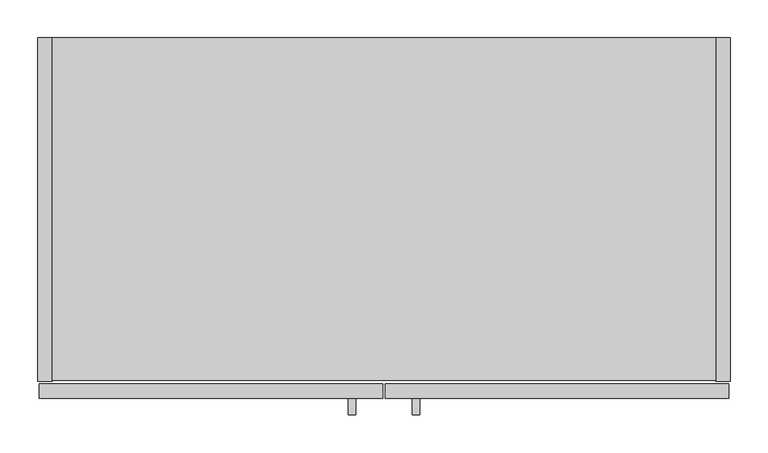
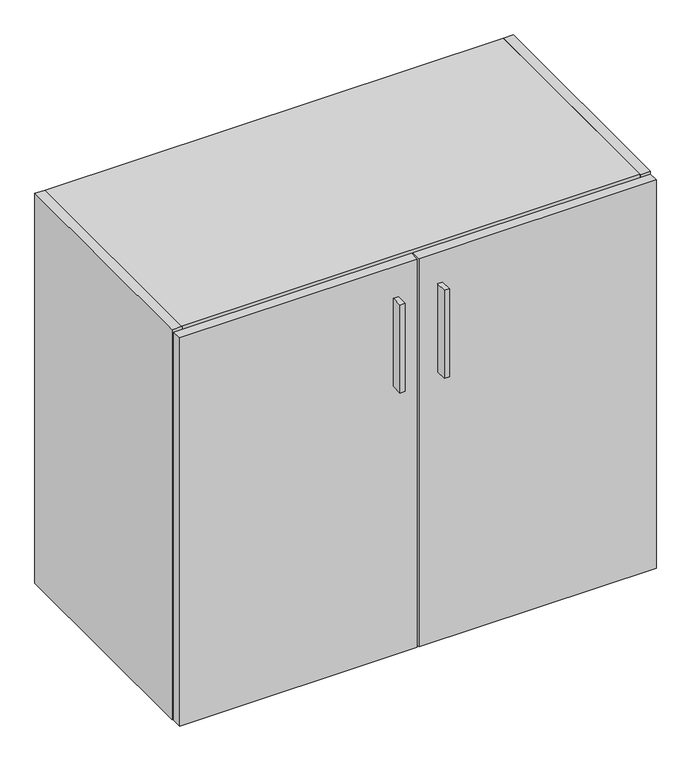
"""IFC4 building model written with IfcOpenShell, lengths in millimetres: furniture geometry."""

from ifc_helpers import new_model, si_unit, frame, origin, place, context, project, spatial, polyline, outline, extrude, source, transform, mapped, element, save


def furniture_d4985aca(model_context):
    return source(origin(), model_context, "Body", "SweptSolid", [
        extrude(outline(polyline([(419.7338631, -498.729), (410.2088631, -498.729), (410.2088631, -476.504), (419.7338631, -476.504), (419.7338631, -498.729)])), frame((0.0, 0.0, 644.525), z_axis=(0.0, 0.0, 1.0), x_axis=(1.0, 0.0, 0.0)), (0.0, 0.0, 1.0), 177.8),
        extrude(outline(polyline([(504.1888631, -498.729), (494.6638631, -498.729), (494.6638631, -476.504), (504.1888631, -476.504), (504.1888631, -498.729)])), frame((0.0, 0.0, 644.525), z_axis=(0.0, 0.0, 1.0), x_axis=(1.0, 0.0, 0.0)), (0.0, 0.0, 1.0), 177.8),
        extrude(outline(polyline([(895.096, 0.0), (895.096, -19.304), (19.304, -19.304), (19.304, 0.0), (895.096, 0.0)])), frame((0.0, 0.0, 120.904), z_axis=(0.0, 0.0, 1.0), x_axis=(1.0, 0.0, 0.0)), (0.0, 0.0, 1.0), 748.792),
        extrude(outline(polyline([(895.096, -453.0344), (19.304, -453.0344), (19.304, 0.0), (895.096, 0.0), (895.096, -453.0344)])), frame((0.0, 0.0, 869.696), z_axis=(0.0, 0.0, 1.0), x_axis=(1.0, 0.0, 0.0)), (0.0, 0.0, 1.0), 19.304),
        extrude(outline(polyline([(19.304, 0.0), (19.304, -454.025), (0.0, -454.025), (0.0, 0.0), (19.304, 0.0)])), frame((0.0, 0.0, 101.6), z_axis=(0.0, 0.0, 1.0), x_axis=(1.0, 0.0, 0.0)), (0.0, 0.0, 1.0), 787.4),
        extrude(outline(polyline([(895.096, 0.0), (914.4, 0.0), (914.4, -454.025), (895.096, -454.025), (895.096, 0.0)])), frame((0.0, 0.0, 101.6), z_axis=(0.0, 0.0, 1.0), x_axis=(1.0, 0.0, 0.0)), (0.0, 0.0, 1.0), 787.4),
        extrude(outline(polyline([(895.096, 0.0), (895.096, -453.0344), (19.304, -453.0344), (19.304, 0.0), (895.096, 0.0)])), frame((0.0, 0.0, 101.6), z_axis=(0.0, 0.0, 1.0), x_axis=(1.0, 0.0, 0.0)), (0.0, 0.0, 1.0), 19.304),
        extrude(outline(polyline([(912.8125, -476.504), (458.7875, -476.504), (458.7875, -457.2), (912.8125, -457.2), (912.8125, -476.504)])), frame((0.0, 0.0, 101.6), z_axis=(0.0, 0.0, 1.0), x_axis=(1.0, 0.0, 0.0)), (0.0, 0.0, 1.0), 784.225),
        extrude(outline(polyline([(455.6125, -476.504), (1.5875, -476.504), (1.5875, -457.2), (455.6125, -457.2), (455.6125, -476.504)])), frame((0.0, 0.0, 101.6), z_axis=(0.0, 0.0, 1.0), x_axis=(1.0, 0.0, 0.0)), (0.0, 0.0, 1.0), 784.225),
    ])


if __name__ == "__main__":
    model = new_model("IFC4")
    model_context = context("Model", 3, world=origin())
    ifc_project = project(units=[si_unit("LENGTHUNIT", "METRE", prefix="MILLI")], contexts=[model_context])
    site = spatial("IfcSite", under=ifc_project)
    building = spatial("IfcBuilding", under=site)
    placement = place(None, origin())
    furniture_shape = furniture_d4985aca(model_context)
    element("IfcFurniture", 1, at=placement, inside=building, context=model_context, shape_type="MappedRepresentation", body=[
        mapped(furniture_shape, transform((0.0, 0.0, 0.0), x_axis=(1.0, 0.0, 0.0), y_axis=(0.0, 1.0, 0.0), z_axis=(0.0, 0.0, 1.0))),
    ])
    save(model, "model.ifc")
